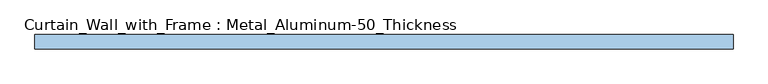
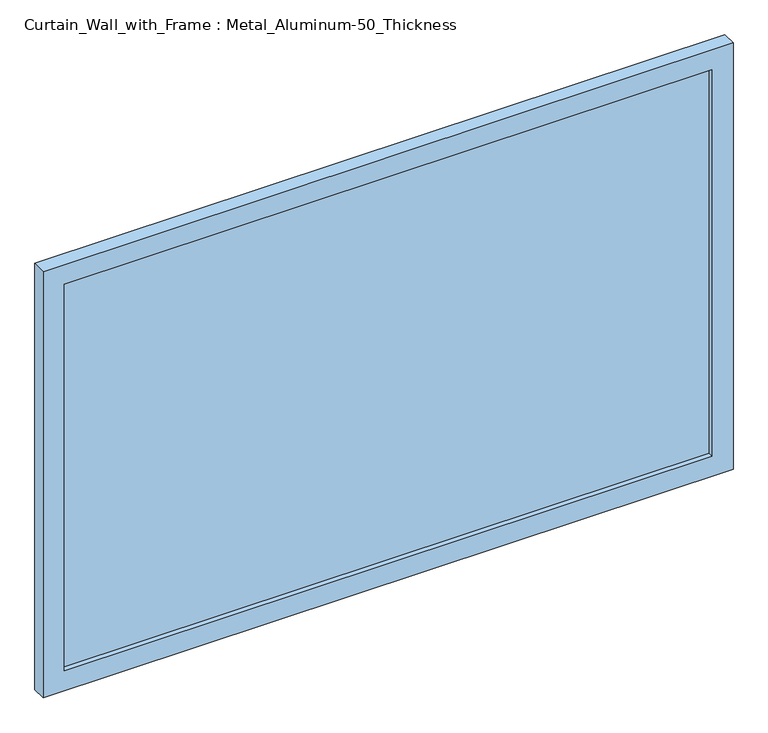
"""IFC4 building model written with IfcOpenShell, lengths in millimetres: window geometry, Curtain_Wall_with_Frame : Metal_Aluminum-50_Thickness."""

from ifc_helpers import new_model, si_unit, frame, origin, place, context, project, spatial, polyline, outline, extrude, source, transform, mapped, element, save


def curtain_wall_with_frame_metal_aluminum_50_thickness_869d401b(model_context):
    return source(origin(), model_context, "Body", "SweptSolid", [
        extrude(outline(polyline([(1150.0, 30.95), (1150.0, 18.25), (-1150.0, 18.25), (-1150.0, 30.95), (1150.0, 30.95)])), frame((0.0, 0.0, 75.0), z_axis=(0.0, 0.0, 1.0), x_axis=(1.0, 0.0, 0.0)), (0.0, 0.0, 1.0), 1450.0),
        extrude(outline(polyline([(1600.0, -1225.0), (0.0, -1225.0), (0.0, 1225.0), (1600.0, 1225.0), (1600.0, -1225.0)]), holes=[polyline([(1525.0, -1150.0), (1525.0, 1150.0), (75.0, 1150.0), (75.0, -1150.0), (1525.0, -1150.0)])]), frame((0.0, 0.0, 0.0), z_axis=(0.0, 1.0, 0.0), x_axis=(0.0, 0.0, 1.0)), (0.0, 0.0, 1.0), 50.0),
    ])


if __name__ == "__main__":
    model = new_model("IFC4")
    model_context = context("Model", 3, world=origin())
    ifc_project = project(units=[si_unit("LENGTHUNIT", "METRE", prefix="MILLI")], contexts=[model_context])
    site = spatial("IfcSite", under=ifc_project)
    building = spatial("IfcBuilding", under=site)
    placement = place(None, origin())
    curtain_wall_with_frame_metal_aluminum_50_thickness_shape = curtain_wall_with_frame_metal_aluminum_50_thickness_869d401b(model_context)
    element("IfcWindow", 1, ObjectType="Curtain_Wall_with_Frame : Metal_Aluminum-50_Thickness", at=placement, inside=building, context=model_context, shape_type="MappedRepresentation", body=[
        mapped(curtain_wall_with_frame_metal_aluminum_50_thickness_shape, transform((0.0, 0.0, 0.0), x_axis=(1.0, 0.0, 0.0), y_axis=(0.0, 1.0, 0.0), z_axis=(0.0, 0.0, 1.0))),
    ])
    save(model, "model.ifc")
